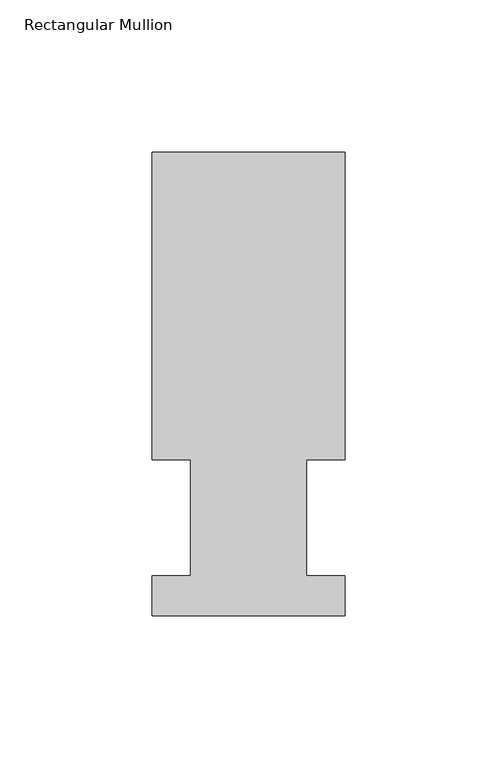
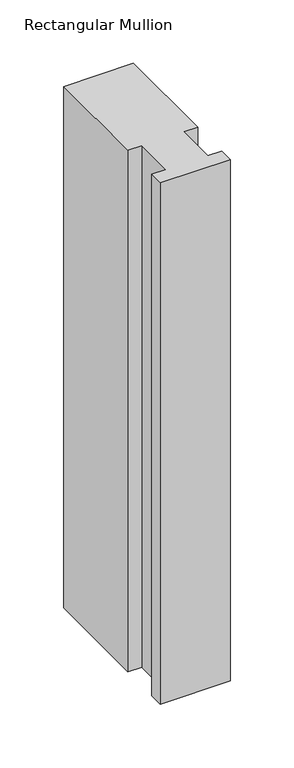
"""IFC4 building model written with IfcOpenShell, lengths in millimetres: member geometry, Rectangular Mullion."""

from ifc_helpers import new_model, si_unit, frame, origin, place, context, project, spatial, polyline, outline, extrude, source, transform, mapped, element, save


def rectangular_mullion_4dfd2366(model_context):
    return source(origin(), model_context, "Body", "SweptSolid", [
        extrude(outline(polyline([(-63.5, 152.4896937), (-3e-07, 152.4831645), (-0.0104046, 51.2960937), (-12.6977047, 51.2960937), (-12.7016222, 13.1960938), (-0.0143221, 13.1960938), (-0.0156783, 0.0069653), (-63.5156779, 0.0134946), (-63.5143225, 13.1960938), (-50.8143224, 13.1960938), (-50.8104049, 51.2960937), (-63.510405, 51.2960937), (-63.5, 152.4896937)])), frame((0.0, 0.0, -501.6500003), z_axis=(0.0, 0.0, 1.0), x_axis=(1.0, 0.0, 0.0)), (0.0, 0.0, 1.0), 501.6500003),
    ])


if __name__ == "__main__":
    model = new_model("IFC4")
    model_context = context("Model", 3, world=origin())
    ifc_project = project(units=[si_unit("LENGTHUNIT", "METRE", prefix="MILLI")], contexts=[model_context])
    site = spatial("IfcSite", under=ifc_project)
    building = spatial("IfcBuilding", under=site)
    placement = place(None, origin())
    rectangular_mullion_shape = rectangular_mullion_4dfd2366(model_context)
    element("IfcMember", 1, ObjectType="Rectangular Mullion", at=placement, inside=building, context=model_context, shape_type="MappedRepresentation", body=[
        mapped(rectangular_mullion_shape, transform((0.0, 0.0, 0.0), x_axis=(1.0, 0.0, 0.0), y_axis=(0.0, 1.0, 0.0), z_axis=(0.0, 0.0, 1.0))),
    ])
    save(model, "model.ifc")
